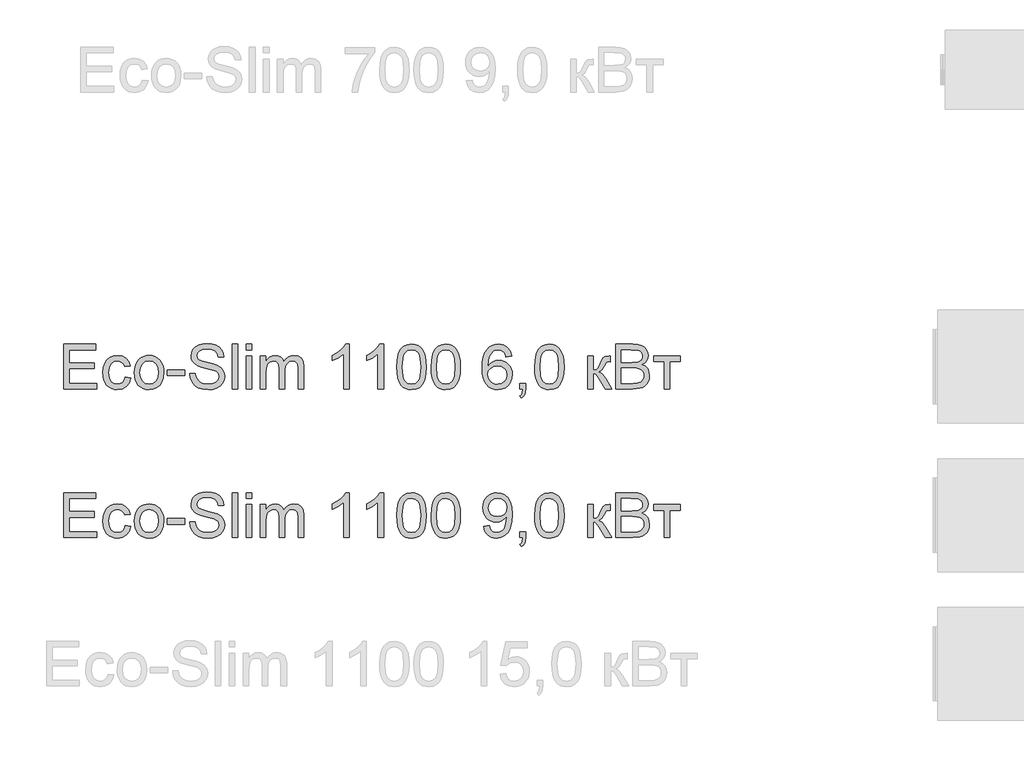
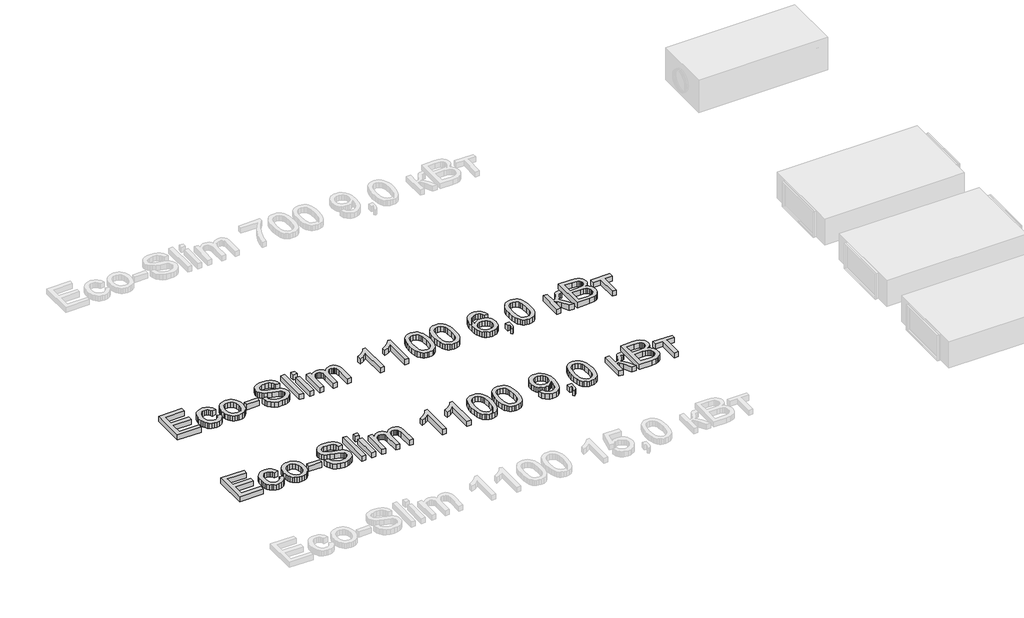
# One storey, part 38 of 74: 2 proxies.
"""IFC4 building model written with IfcOpenShell, lengths in millimetres."""

from ifc_helpers import new_model, si_unit, origin, origin_with_axes, place, context, project, spatial, polyline, outline, extrude, element, save

model = new_model("IFC4")

# Units and contexts
model_context = context("Model", 3, world=origin())
ifc_project = project(units=[si_unit("LENGTHUNIT", "METRE", prefix="MILLI")], contexts=[model_context])

# Site, building, storey
site = spatial("IfcSite", under=ifc_project)
building = spatial("IfcBuilding", under=site)
storey = spatial("IfcBuildingStorey", under=building, Elevation=0.0)

# Proxies
placement = place(None, origin())
element("IfcBuildingElementProxy", 1, Name="Generic Models", at=placement, inside=storey, context=model_context, shape_type="SweptSolid", body=[
    extrude(outline(polyline([(22928.3191932, -10906.2904473), (22928.3191932, -10604.9215169), (23144.928112, -10604.9215169), (23144.928112, -10642.5926332), (22965.9903095, -10642.5926332), (22965.9903095, -10732.0615344), (23135.5103329, -10732.0615344), (23135.5103329, -10769.7326507), (22965.9903095, -10769.7326507), (22965.9903095, -10868.619331), (23149.6370015, -10868.619331), (23149.6370015, -10906.2904473), (22928.3191932, -10906.2904473)])), origin_with_axes(), (0.0, 0.0, 1.0), 50.0),
    extrude(outline(polyline([(23342.7014726, -10826.2393252), (23380.3725889, -10830.9482147), (23369.869558, -10864.4530674), (23350.1326889, -10889.7725458), (23323.0197859, -10905.6926391), (23290.3886529, -10910.9993369), (23269.2607301, -10909.1484306), (23250.3171066, -10903.5957117), (23233.5577824, -10894.3411803), (23218.9827576, -10881.3848363), (23207.1852419, -10864.9704015), (23198.7584449, -10845.3415978), (23193.7023668, -10822.4984252), (23192.0170074, -10796.4408836), (23194.895684, -10762.9176368), (23203.5317138, -10733.8641562), (23218.0630526, -10710.402482), (23238.6276562, -10693.6546541), (23263.2297646, -10683.6114757), (23289.8736181, -10680.2637495), (23321.7046077, -10684.8622744), (23347.1528448, -10698.6578493), (23365.4089888, -10720.91471), (23375.6636994, -10750.8970926), (23337.9925831, -10755.6059821), (23331.159175, -10739.170854), (23320.5181883, -10727.3894331), (23306.6582341, -10720.2985076), (23290.1679237, -10717.9348658), (23265.8233327, -10722.588573), (23246.5003309, -10736.5496948), (23233.8911755, -10760.5723891), (23229.6881237, -10795.410814), (23233.799205, -10830.7182885), (23246.1324489, -10854.8237562), (23265.1059628, -10868.7021045), (23289.1378541, -10873.3282206), (23308.6447969, -10870.4403469), (23324.6384666, -10861.7767259), (23336.2727347, -10847.1166284), (23342.7014726, -10826.2393252)])), origin_with_axes(), (0.0, 0.0, 1.0), 50.0),
    extrude(outline(polyline([(23403.9170366, -10795.6315432), (23405.9541832, -10766.9689372), (23412.0656228, -10742.2702598), (23422.2513555, -10721.5355108), (23436.5113814, -10704.7646904), (23450.8679762, -10694.0455287), (23466.7144932, -10686.3889847), (23484.0509322, -10681.7950583), (23502.8772933, -10680.2637495), (23523.6603268, -10682.1284514), (23542.4521989, -10687.722557), (23559.2529098, -10697.0460663), (23574.0624594, -10710.0989793), (23586.1496822, -10726.4398377), (23594.7834128, -10745.627183), (23599.9636511, -10767.6610152), (23601.6903972, -10792.5413344), (23598.6369767, -10830.5987268), (23589.476715, -10859.569434), (23574.4763266, -10881.2652746), (23553.902526, -10897.4980677), (23529.4659645, -10907.6240196), (23502.8772933, -10910.9993369), (23481.7907572, -10909.1415328), (23462.8241411, -10903.5681206), (23445.977445, -10894.2791002), (23431.2506688, -10881.2744717), (23419.2922047, -10864.7749642), (23410.7504447, -10845.0013069), (23405.6253886, -10821.9534999), (23403.9170366, -10795.6315432)]), holes=[polyline([(23441.5881529, -10795.5579668), (23445.9475546, -10829.6514307), (23459.0257595, -10853.9408394), (23478.7074462, -10868.4813753), (23502.8772933, -10873.3282206), (23526.9367758, -10868.4537841), (23546.5816743, -10853.8304748), (23559.6598793, -10829.2191694), (23564.0192809, -10794.3807444), (23559.6322881, -10761.2805619), (23546.4713097, -10737.322247), (23526.79882, -10722.7817111), (23502.8772933, -10717.9348658), (23478.7074462, -10722.763317), (23459.0257595, -10737.2486706), (23445.9475546, -10761.482897), (23441.5881529, -10795.5579668)])]), origin_with_axes(), (0.0, 0.0, 1.0), 50.0),
    extrude(outline(polyline([(23625.2348449, -10816.8215461), (23625.2348449, -10779.1504298), (23742.9570834, -10779.1504298), (23742.9570834, -10816.8215461), (23625.2348449, -10816.8215461)])), origin_with_axes(), (0.0, 0.0, 1.0), 50.0),
    extrude(outline(polyline([(23775.9193101, -10802.6948775), (23813.5904264, -10802.6948775), (23817.9130399, -10823.5997719), (23825.7305323, -10840.402782), (23837.9258204, -10853.7385043), (23855.3818211, -10864.2415353), (23876.7189768, -10871.0565493), (23900.5577301, -10873.3282206), (23921.5453979, -10871.6083722), (23939.9211036, -10866.4488273), (23954.8111273, -10858.281847), (23965.3417494, -10847.5396927), (23971.6049404, -10835.2064488), (23973.6926707, -10822.2661996), (23972.1291723, -10809.6570443), (23967.4386768, -10798.7585402), (23957.9105331, -10789.4603227), (23941.83409, -10781.6520274), (23886.9828845, -10767.2678414), (23850.9764342, -10757.7488947), (23827.9378242, -10748.6898006), (23809.1850395, -10736.0162659), (23795.8953025, -10720.6571926), (23787.9766425, -10702.9436745), (23785.3370892, -10683.2068055), (23788.6020419, -10661.1430828), (23798.3969, -10640.5692822), (23814.4641462, -10623.1316757), (23836.5462629, -10610.476535), (23863.0521607, -10602.7786043), (23892.3907498, -10600.2126274), (23924.1757542, -10602.8981659), (23951.987633, -10610.9547816), (23974.8331049, -10624.2169275), (23991.7188885, -10642.5190568), (24002.4058605, -10664.7207352), (24006.6548975, -10689.6815286), (23968.9837812, -10689.6815286), (23962.0675997, -10667.2039387), (23947.6466255, -10650.9803427), (23925.1138533, -10641.1578934), (23893.8622778, -10637.8837437), (23861.8749383, -10641.1211052), (23839.9307773, -10650.8331899), (23827.2388485, -10665.1254054), (23823.0082055, -10682.1031595), (23826.0064438, -10696.579316), (23835.0011586, -10708.2227811), (23856.2647379, -10718.6338416), (23896.5110281, -10729.2656313), (23938.0449054, -10739.363992), (23963.1712457, -10748.1747658), (23984.6463571, -10761.8415819), (23999.6283514, -10778.7089714), (24008.4299281, -10798.5929933), (24011.363787, -10821.3097065), (24007.9884697, -10844.5322574), (23997.8625178, -10866.3752509), (23981.3997985, -10885.1740208), (23959.0141791, -10899.2639012), (23932.0944141, -10908.065478), (23902.0292581, -10910.9993369), (23865.1214969, -10907.8355517), (23834.7436412, -10898.3441962), (23810.5462029, -10882.4884823), (23792.1796943, -10860.2316215), (23780.3890764, -10833.1187185), (23775.9193101, -10802.6948775)])), origin_with_axes(), (0.0, 0.0, 1.0), 50.0),
    extrude(outline(polyline([(24063.161572, -10906.2904473), (24063.161572, -10604.9215169), (24100.8326883, -10604.9215169), (24100.8326883, -10906.2904473), (24063.161572, -10906.2904473)])), origin_with_axes(), (0.0, 0.0, 1.0), 50.0),
    extrude(outline(polyline([(24157.3393627, -10642.5926332), (24157.3393627, -10604.9215169), (24195.010479, -10604.9215169), (24195.010479, -10642.5926332), (24157.3393627, -10642.5926332)])), origin_with_axes(), (0.0, 0.0, 1.0), 50.0),
    extrude(outline(polyline([(24157.3393627, -10906.2904473), (24157.3393627, -10684.972639), (24195.010479, -10684.972639), (24195.010479, -10906.2904473), (24157.3393627, -10906.2904473)])), origin_with_axes(), (0.0, 0.0, 1.0), 50.0),
    extrude(outline(polyline([(24251.5171535, -10906.2904473), (24251.5171535, -10684.972639), (24289.1882698, -10684.972639), (24289.1882698, -10721.3929566), (24300.5190353, -10704.6635228), (24315.0871623, -10691.5577268), (24332.3960101, -10683.0872438), (24351.9489382, -10680.2637495), (24372.8998178, -10683.1424261), (24389.6936309, -10691.778456), (24402.2384069, -10705.6016219), (24410.4421754, -10724.0417069), (24424.1733709, -10704.8888506), (24439.8359468, -10691.2082389), (24457.4299032, -10682.9998718), (24476.9552401, -10680.2637495), (24505.2729567, -10684.8162892), (24526.2146393, -10698.4739083), (24539.1548885, -10721.6044887), (24543.4683049, -10754.5759125), (24543.4683049, -10906.2904473), (24505.7971886, -10906.2904473), (24505.7971886, -10770.7627203), (24502.3023096, -10739.3088097), (24497.391085, -10730.6359917), (24489.647169, -10723.8209777), (24479.686764, -10719.4063938), (24468.1260723, -10717.9348658), (24447.7178186, -10721.7056563), (24431.0803553, -10733.0180276), (24420.0163043, -10752.6445321), (24416.3282873, -10781.3577218), (24416.3282873, -10906.2904473), (24378.657171, -10906.2904473), (24378.657171, -10766.5688656), (24376.4774702, -10745.2684981), (24369.9383677, -10730.0749717), (24358.4328583, -10720.9698923), (24341.3539367, -10717.9348658), (24326.840992, -10719.9582168), (24313.4684815, -10726.0282697), (24302.4320216, -10735.9978718), (24294.9272289, -10749.7198702), (24290.6230096, -10768.7577634), (24289.1882698, -10794.67505), (24289.1882698, -10906.2904473), (24251.5171535, -10906.2904473)])), origin_with_axes(), (0.0, 0.0, 1.0), 50.0),
    extrude(outline(polyline([(24849.5461249, -10906.2904473), (24811.8750085, -10906.2904473), (24811.8750085, -10671.4345816), (24776.190455, -10696.8552275), (24736.5327759, -10715.8747266), (24736.5327759, -10680.2637495), (24766.1196854, -10664.1689122), (24791.7518634, -10645.0206544), (24811.957782, -10624.6583859), (24825.2659132, -10604.9215169), (24849.5461249, -10604.9215169), (24849.5461249, -10906.2904473)])), origin_with_axes(), (0.0, 0.0, 1.0), 50.0),
    extrude(outline(polyline([(25080.2817122, -10906.2904473), (25042.6105959, -10906.2904473), (25042.6105959, -10671.4345816), (25006.9260424, -10696.8552275), (24967.2683633, -10715.8747266), (24967.2683633, -10680.2637495), (24996.8552728, -10664.1689122), (25022.4874508, -10645.0206544), (25042.6933694, -10624.6583859), (25056.0015005, -10604.9215169), (25080.2817122, -10604.9215169), (25080.2817122, -10906.2904473)])), origin_with_axes(), (0.0, 0.0, 1.0), 50.0),
    extrude(outline(polyline([(25169.7506135, -10758.0340033), (25172.5189255, -10709.7954767), (25180.8238615, -10671.324217), (25194.5826481, -10642.0316132), (25213.7125119, -10621.3290539), (25238.3514085, -10609.0234011), (25268.6372938, -10604.9215169), (25291.8506477, -10607.3495381), (25312.6359804, -10614.6336016), (25330.0184047, -10626.4885989), (25343.0230332, -10642.6294214), (25352.8454825, -10662.9181134), (25360.681369, -10687.2167192), (25365.8133228, -10718.0728216), (25367.5239741, -10758.0340033), (25364.7832532, -10805.9966184), (25356.5610906, -10844.3759076), (25342.8850774, -10873.6961026), (25323.7828048, -10894.4814353), (25299.0887259, -10906.8698615), (25268.6372938, -10910.9993369), (25247.8887492, -10909.2059122), (25229.4946495, -10903.825638), (25213.4549945, -10894.8585143), (25199.7697843, -10882.3045413), (25186.636397, -10859.6108207), (25177.2554062, -10831.3344908), (25171.6268116, -10797.4755517), (25169.7506135, -10758.0340033)]), holes=[polyline([(25207.4217298, -10757.9604269), (25211.8363137, -10817.2170193), (25217.3545436, -10837.4850179), (25225.0800655, -10851.5128183), (25244.7985405, -10867.87437), (25268.6372938, -10873.3282206), (25292.476047, -10867.8559759), (25312.194522, -10851.4392419), (25319.9200439, -10837.3884489), (25325.4382738, -10817.1250488), (25329.8528578, -10757.9604269), (25325.5854266, -10700.0374067), (25320.2511377, -10679.8360867), (25312.7831332, -10665.4748933), (25293.1014464, -10648.3131982), (25268.1958354, -10642.5926332), (25244.6145995, -10647.6326165), (25225.6686767, -10662.7525665), (25217.6856374, -10678.3875513), (25211.9834665, -10699.4671897), (25207.4217298, -10757.9604269)])]), origin_with_axes(), (0.0, 0.0, 1.0), 50.0),
    extrude(outline(polyline([(25400.4862008, -10758.0340033), (25403.2545128, -10709.7954767), (25411.5594489, -10671.324217), (25425.3182355, -10642.0316132), (25444.4480993, -10621.3290539), (25469.0869959, -10609.0234011), (25499.3728811, -10604.9215169), (25522.586235, -10607.3495381), (25543.3715678, -10614.6336016), (25560.753992, -10626.4885989), (25573.7586206, -10642.6294214), (25583.5810698, -10662.9181134), (25591.4169563, -10687.2167192), (25596.5489102, -10718.0728216), (25598.2595614, -10758.0340033), (25595.5188406, -10805.9966184), (25587.296678, -10844.3759076), (25573.6206648, -10873.6961026), (25554.5183922, -10894.4814353), (25529.8243133, -10906.8698615), (25499.3728811, -10910.9993369), (25478.6243366, -10909.2059122), (25460.2302368, -10903.825638), (25444.1905819, -10894.8585143), (25430.5053716, -10882.3045413), (25417.3719844, -10859.6108207), (25407.9909935, -10831.3344908), (25402.362399, -10797.4755517), (25400.4862008, -10758.0340033)]), holes=[polyline([(25438.1573171, -10757.9604269), (25442.5719011, -10817.2170193), (25448.090131, -10837.4850179), (25455.8156529, -10851.5128183), (25475.5341278, -10867.87437), (25499.3728811, -10873.3282206), (25523.2116344, -10867.8559759), (25542.9301094, -10851.4392419), (25550.6556313, -10837.3884489), (25556.1738612, -10817.1250488), (25560.5884451, -10757.9604269), (25556.321014, -10700.0374067), (25550.9867251, -10679.8360867), (25543.5187206, -10665.4748933), (25523.8370338, -10648.3131982), (25498.9314227, -10642.5926332), (25475.3501868, -10647.6326165), (25456.4042641, -10662.7525665), (25448.4212248, -10678.3875513), (25442.7190539, -10699.4671897), (25438.1573171, -10757.9604269)])]), origin_with_axes(), (0.0, 0.0, 1.0), 50.0),
    extrude(outline(polyline([(25942.0084977, -10684.972639), (25904.3373814, -10689.6815286), (25898.2673285, -10671.0115173), (25890.06356, -10658.2644062), (25872.9754413, -10646.5105764), (25852.3188673, -10642.5926332), (25834.8076843, -10644.8735016), (25818.326571, -10651.7161067), (25804.1723112, -10666.1278838), (25792.6116195, -10685.9659204), (25784.8033241, -10714.0261196), (25781.9062534, -10753.1043845), (25797.0170064, -10735.4736399), (25815.1259976, -10723.0484255), (25835.2215516, -10715.6815886), (25856.2919929, -10713.2259763), (25874.391787, -10714.9044379), (25891.0936296, -10719.9398227), (25906.3975206, -10728.3321307), (25920.30346, -10740.0813619), (25931.8595532, -10754.4885406), (25940.1139055, -10770.8546908), (25945.0665168, -10789.1798127), (25946.7173873, -10809.4639062), (25943.6087844, -10836.4388535), (25934.2829758, -10861.4456321), (25919.5125137, -10882.6540292), (25900.0699503, -10898.2338316), (25876.8382023, -10907.8079606), (25850.7001865, -10910.9993369), (25828.24329, -10908.8840154), (25807.9614957, -10902.538051), (25789.8548038, -10891.9614436), (25773.9232141, -10877.1541933), (25760.9346804, -10857.4909007), (25751.6571564, -10832.3461663), (25746.0906419, -10801.7199902), (25744.2351371, -10765.6123724), (25746.2952763, -10725.1315573), (25752.4756938, -10690.5828395), (25762.7763897, -10661.9662188), (25777.1973639, -10639.2816952), (25792.8277502, -10624.2491172), (25810.9505369, -10613.5115615), (25831.5657243, -10607.069028), (25854.6733121, -10604.9215169), (25887.7275093, -10610.2374117), (25914.1966189, -10626.1850962), (25932.7378715, -10651.5137716), (25942.0084977, -10684.972639)]), holes=[polyline([(25781.9062534, -10808.875295), (25784.0859543, -10825.5679405), (25790.6250567, -10841.506428), (25800.7785998, -10855.2100323), (25813.8016224, -10865.1980285), (25829.5193807, -10871.2956725), (25847.7571306, -10873.3282206), (25872.6167564, -10869.1159717), (25892.1604874, -10856.4792252), (25904.8248251, -10836.6135975), (25909.046271, -10810.714705), (25904.8800074, -10785.8550792), (25892.3812166, -10766.8999594), (25872.5063918, -10754.8978093), (25846.2120262, -10750.8970926), (25821.3891886, -10754.8978093), (25800.631447, -10766.8999594), (25786.5875518, -10785.3952267), (25781.9062534, -10808.875295)])]), origin_with_axes(), (0.0, 0.0, 1.0), 50.0),
    extrude(outline(polyline([(25998.5151722, -10906.2904473), (25998.5151722, -10868.619331), (26036.1862885, -10868.619331), (26036.1862885, -10906.2904473), (26034.4940313, -10927.8391352), (26029.4172598, -10944.8076922), (26020.6616683, -10957.8215178), (26007.9329513, -10967.5060113), (25998.5151722, -10953.3793427), (26006.6821525, -10946.5551317), (26012.3475352, -10937.1189585), (26017.2771539, -10906.2904473), (25998.5151722, -10906.2904473)])), origin_with_axes(), (0.0, 0.0, 1.0), 50.0),
    extrude(outline(polyline([(26097.4018525, -10758.0340033), (26100.1701645, -10709.7954767), (26108.4751005, -10671.324217), (26122.2338872, -10642.0316132), (26141.3637509, -10621.3290539), (26166.0026475, -10609.0234011), (26196.2885328, -10604.9215169), (26219.5018867, -10607.3495381), (26240.2872194, -10614.6336016), (26257.6696437, -10626.4885989), (26270.6742722, -10642.6294214), (26280.4967215, -10662.9181134), (26288.332608, -10687.2167192), (26293.4645618, -10718.0728216), (26295.1752131, -10758.0340033), (26292.4344922, -10805.9966184), (26284.2123296, -10844.3759076), (26270.5363165, -10873.6961026), (26251.4340439, -10894.4814353), (26226.7399649, -10906.8698615), (26196.2885328, -10910.9993369), (26175.5399883, -10909.2059122), (26157.1458885, -10903.825638), (26141.1062335, -10894.8585143), (26127.4210233, -10882.3045413), (26114.2876361, -10859.6108207), (26104.9066452, -10831.3344908), (26099.2780507, -10797.4755517), (26097.4018525, -10758.0340033)]), holes=[polyline([(26135.0729688, -10757.9604269), (26139.4875527, -10817.2170193), (26145.0057827, -10837.4850179), (26152.7313046, -10851.5128183), (26172.4497795, -10867.87437), (26196.2885328, -10873.3282206), (26220.1272861, -10867.8559759), (26239.845761, -10851.4392419), (26247.5712829, -10837.3884489), (26253.0895129, -10817.1250488), (26257.5040968, -10757.9604269), (26253.2366657, -10700.0374067), (26247.9023767, -10679.8360867), (26240.4343722, -10665.4748933), (26220.7526855, -10648.3131982), (26195.8470744, -10642.5926332), (26172.2658385, -10647.6326165), (26153.3199158, -10662.7525665), (26145.3368765, -10678.3875513), (26139.6347055, -10699.4671897), (26135.0729688, -10757.9604269)])]), origin_with_axes(), (0.0, 0.0, 1.0), 50.0),
    extrude(outline(polyline([(26455.2774574, -10684.972639), (26492.9485737, -10684.972639), (26492.9485737, -10779.1504298), (26508.2708588, -10777.4581726), (26518.1852786, -10772.3814011), (26526.9592642, -10759.1376493), (26538.8602467, -10732.9444512), (26556.0403359, -10698.9153667), (26571.1970741, -10687.8421186), (26598.7514355, -10684.972639), (26605.9619226, -10684.972639), (26605.9619226, -10722.8644845), (26595.8083796, -10722.6437553), (26577.4142798, -10726.6168809), (26564.4648336, -10751.4121274), (26549.2713072, -10778.2307248), (26527.9709396, -10791.364112), (26539.9087104, -10796.6662113), (26551.7361165, -10806.0242096), (26575.059835, -10836.907903), (26615.3797017, -10906.2904473), (26572.5582375, -10906.2904473), (26533.0477112, -10838.379431), (26513.1820834, -10809.6478472), (26503.8930631, -10804.4331199), (26492.9485737, -10802.6948775), (26492.9485737, -10906.2904473), (26455.2774574, -10906.2904473), (26455.2774574, -10684.972639)])), origin_with_axes(), (0.0, 0.0, 1.0), 50.0),
    extrude(outline(polyline([(26643.6330389, -10906.2904473), (26643.6330389, -10604.9215169), (26758.6329506, -10604.9215169), (26790.2616052, -10607.1380059), (26814.9556841, -10613.787473), (26833.8832127, -10625.035465), (26848.2122164, -10641.0475288), (26857.2345224, -10659.883087), (26860.2419577, -10679.6015619), (26857.712769, -10697.7473413), (26850.1252028, -10714.8078689), (26837.4240769, -10729.7346808), (26819.554209, -10741.4793135), (26840.9005618, -10752.626138), (26856.6735023, -10769.5854979), (26866.4131782, -10791.2353533), (26869.6597368, -10816.4536641), (26867.4432477, -10837.4689231), (26860.7937807, -10856.9574718), (26850.8701639, -10873.5305557), (26838.8312256, -10885.7994202), (26824.0883546, -10894.6837704), (26806.0529398, -10901.1033112), (26757.7500338, -10906.2904473), (26643.6330389, -10906.2904473)]), holes=[polyline([(26681.3041552, -10727.3526449), (26750.0980883, -10727.3526449), (26790.2708022, -10724.1152833), (26804.3330915, -10718.5326741), (26814.4406493, -10710.1725557), (26820.5382934, -10699.163687), (26822.5708414, -10685.6348266), (26820.6762491, -10672.5014394), (26814.9924723, -10661.0603094), (26805.7770283, -10652.1299739), (26793.2874346, -10646.5289705), (26744.874164, -10642.5926332), (26681.3041552, -10642.5926332), (26681.3041552, -10727.3526449)]), polyline([(26681.3041552, -10868.619331), (26758.5593742, -10868.619331), (26786.5184059, -10867.1478031), (26810.1732181, -10858.9440346), (26825.8449911, -10842.2054038), (26830.4527131, -10830.3779976), (26831.9886205, -10816.8215461), (26830.1859987, -10801.0761967), (26824.7781334, -10787.5381393), (26815.3327631, -10776.9523349), (26801.4176267, -10770.0637445), (26781.7083488, -10766.283757), (26754.8805543, -10765.0237612), (26681.3041552, -10765.0237612), (26681.3041552, -10868.619331)])]), origin_with_axes(), (0.0, 0.0, 1.0), 50.0),
    extrude(outline(polyline([(26897.913074, -10684.972639), (27076.8508765, -10684.972639), (27076.8508765, -10722.6437553), (27006.2175334, -10722.6437553), (27006.2175334, -10906.2904473), (26968.5464171, -10906.2904473), (26968.5464171, -10722.6437553), (26897.913074, -10722.6437553), (26897.913074, -10684.972639)])), origin_with_axes(), (0.0, 0.0, 1.0), 50.0),
])
element("IfcBuildingElementProxy", 2, Name="Generic Models", at=placement, inside=storey, context=model_context, shape_type="SweptSolid", body=[
    extrude(outline(polyline([(22928.3191932, -11906.2904473), (22928.3191932, -11604.9215169), (23144.928112, -11604.9215169), (23144.928112, -11642.5926332), (22965.9903095, -11642.5926332), (22965.9903095, -11732.0615344), (23135.5103329, -11732.0615344), (23135.5103329, -11769.7326507), (22965.9903095, -11769.7326507), (22965.9903095, -11868.619331), (23149.6370015, -11868.619331), (23149.6370015, -11906.2904473), (22928.3191932, -11906.2904473)])), origin_with_axes(), (0.0, 0.0, 1.0), 50.0),
    extrude(outline(polyline([(23342.7014726, -11826.2393252), (23380.3725889, -11830.9482147), (23369.869558, -11864.4530674), (23350.1326889, -11889.7725458), (23323.0197859, -11905.6926391), (23290.3886529, -11910.9993369), (23269.2607301, -11909.1484306), (23250.3171066, -11903.5957117), (23233.5577824, -11894.3411803), (23218.9827576, -11881.3848363), (23207.1852419, -11864.9704015), (23198.7584449, -11845.3415978), (23193.7023668, -11822.4984252), (23192.0170074, -11796.4408836), (23194.895684, -11762.9176368), (23203.5317138, -11733.8641562), (23218.0630526, -11710.402482), (23238.6276562, -11693.6546541), (23263.2297646, -11683.6114757), (23289.8736181, -11680.2637495), (23321.7046077, -11684.8622744), (23347.1528448, -11698.6578493), (23365.4089888, -11720.91471), (23375.6636994, -11750.8970926), (23337.9925831, -11755.6059821), (23331.159175, -11739.170854), (23320.5181883, -11727.3894331), (23306.6582341, -11720.2985076), (23290.1679237, -11717.9348658), (23265.8233327, -11722.588573), (23246.5003309, -11736.5496948), (23233.8911755, -11760.5723891), (23229.6881237, -11795.410814), (23233.799205, -11830.7182885), (23246.1324489, -11854.8237562), (23265.1059628, -11868.7021045), (23289.1378541, -11873.3282206), (23308.6447969, -11870.4403469), (23324.6384666, -11861.7767259), (23336.2727347, -11847.1166284), (23342.7014726, -11826.2393252)])), origin_with_axes(), (0.0, 0.0, 1.0), 50.0),
    extrude(outline(polyline([(23403.9170366, -11795.6315432), (23405.9541832, -11766.9689372), (23412.0656228, -11742.2702598), (23422.2513555, -11721.5355108), (23436.5113814, -11704.7646904), (23450.8679762, -11694.0455287), (23466.7144932, -11686.3889847), (23484.0509322, -11681.7950583), (23502.8772933, -11680.2637495), (23523.6603268, -11682.1284514), (23542.4521989, -11687.722557), (23559.2529098, -11697.0460663), (23574.0624594, -11710.0989793), (23586.1496822, -11726.4398377), (23594.7834128, -11745.627183), (23599.9636511, -11767.6610152), (23601.6903972, -11792.5413344), (23598.6369767, -11830.5987268), (23589.476715, -11859.569434), (23574.4763266, -11881.2652746), (23553.902526, -11897.4980677), (23529.4659645, -11907.6240196), (23502.8772933, -11910.9993369), (23481.7907572, -11909.1415328), (23462.8241411, -11903.5681206), (23445.977445, -11894.2791002), (23431.2506688, -11881.2744717), (23419.2922047, -11864.7749642), (23410.7504447, -11845.0013069), (23405.6253886, -11821.9534999), (23403.9170366, -11795.6315432)]), holes=[polyline([(23441.5881529, -11795.5579668), (23445.9475546, -11829.6514307), (23459.0257595, -11853.9408394), (23478.7074462, -11868.4813753), (23502.8772933, -11873.3282206), (23526.9367758, -11868.4537841), (23546.5816743, -11853.8304748), (23559.6598793, -11829.2191694), (23564.0192809, -11794.3807444), (23559.6322881, -11761.2805619), (23546.4713097, -11737.322247), (23526.79882, -11722.7817111), (23502.8772933, -11717.9348658), (23478.7074462, -11722.763317), (23459.0257595, -11737.2486706), (23445.9475546, -11761.482897), (23441.5881529, -11795.5579668)])]), origin_with_axes(), (0.0, 0.0, 1.0), 50.0),
    extrude(outline(polyline([(23625.2348449, -11816.8215461), (23625.2348449, -11779.1504298), (23742.9570834, -11779.1504298), (23742.9570834, -11816.8215461), (23625.2348449, -11816.8215461)])), origin_with_axes(), (0.0, 0.0, 1.0), 50.0),
    extrude(outline(polyline([(23775.9193101, -11802.6948775), (23813.5904264, -11802.6948775), (23817.9130399, -11823.5997719), (23825.7305323, -11840.402782), (23837.9258204, -11853.7385043), (23855.3818211, -11864.2415353), (23876.7189768, -11871.0565493), (23900.5577301, -11873.3282206), (23921.5453979, -11871.6083722), (23939.9211036, -11866.4488273), (23954.8111273, -11858.281847), (23965.3417494, -11847.5396927), (23971.6049404, -11835.2064488), (23973.6926707, -11822.2661996), (23972.1291723, -11809.6570443), (23967.4386768, -11798.7585402), (23957.9105331, -11789.4603227), (23941.83409, -11781.6520274), (23886.9828845, -11767.2678414), (23850.9764342, -11757.7488947), (23827.9378242, -11748.6898006), (23809.1850395, -11736.0162659), (23795.8953025, -11720.6571926), (23787.9766425, -11702.9436745), (23785.3370892, -11683.2068055), (23788.6020419, -11661.1430828), (23798.3969, -11640.5692822), (23814.4641462, -11623.1316757), (23836.5462629, -11610.476535), (23863.0521607, -11602.7786043), (23892.3907498, -11600.2126274), (23924.1757542, -11602.8981659), (23951.987633, -11610.9547816), (23974.8331049, -11624.2169275), (23991.7188885, -11642.5190568), (24002.4058605, -11664.7207352), (24006.6548975, -11689.6815286), (23968.9837812, -11689.6815286), (23962.0675997, -11667.2039387), (23947.6466255, -11650.9803427), (23925.1138533, -11641.1578934), (23893.8622778, -11637.8837437), (23861.8749383, -11641.1211052), (23839.9307773, -11650.8331899), (23827.2388485, -11665.1254054), (23823.0082055, -11682.1031595), (23826.0064438, -11696.579316), (23835.0011586, -11708.2227811), (23856.2647379, -11718.6338416), (23896.5110281, -11729.2656313), (23938.0449054, -11739.363992), (23963.1712457, -11748.1747658), (23984.6463571, -11761.8415819), (23999.6283514, -11778.7089714), (24008.4299281, -11798.5929933), (24011.363787, -11821.3097065), (24007.9884697, -11844.5322574), (23997.8625178, -11866.3752509), (23981.3997985, -11885.1740208), (23959.0141791, -11899.2639012), (23932.0944141, -11908.065478), (23902.0292581, -11910.9993369), (23865.1214969, -11907.8355517), (23834.7436412, -11898.3441962), (23810.5462029, -11882.4884823), (23792.1796943, -11860.2316215), (23780.3890764, -11833.1187185), (23775.9193101, -11802.6948775)])), origin_with_axes(), (0.0, 0.0, 1.0), 50.0),
    extrude(outline(polyline([(24063.161572, -11906.2904473), (24063.161572, -11604.9215169), (24100.8326883, -11604.9215169), (24100.8326883, -11906.2904473), (24063.161572, -11906.2904473)])), origin_with_axes(), (0.0, 0.0, 1.0), 50.0),
    extrude(outline(polyline([(24157.3393627, -11642.5926332), (24157.3393627, -11604.9215169), (24195.010479, -11604.9215169), (24195.010479, -11642.5926332), (24157.3393627, -11642.5926332)])), origin_with_axes(), (0.0, 0.0, 1.0), 50.0),
    extrude(outline(polyline([(24157.3393627, -11906.2904473), (24157.3393627, -11684.972639), (24195.010479, -11684.972639), (24195.010479, -11906.2904473), (24157.3393627, -11906.2904473)])), origin_with_axes(), (0.0, 0.0, 1.0), 50.0),
    extrude(outline(polyline([(24251.5171535, -11906.2904473), (24251.5171535, -11684.972639), (24289.1882698, -11684.972639), (24289.1882698, -11721.3929566), (24300.5190353, -11704.6635228), (24315.0871623, -11691.5577268), (24332.3960101, -11683.0872438), (24351.9489382, -11680.2637495), (24372.8998178, -11683.1424261), (24389.6936309, -11691.778456), (24402.2384069, -11705.6016219), (24410.4421754, -11724.0417069), (24424.1733709, -11704.8888506), (24439.8359468, -11691.2082389), (24457.4299032, -11682.9998718), (24476.9552401, -11680.2637495), (24505.2729567, -11684.8162892), (24526.2146393, -11698.4739083), (24539.1548885, -11721.6044887), (24543.4683049, -11754.5759125), (24543.4683049, -11906.2904473), (24505.7971886, -11906.2904473), (24505.7971886, -11770.7627203), (24502.3023096, -11739.3088097), (24497.391085, -11730.6359917), (24489.647169, -11723.8209777), (24479.686764, -11719.4063938), (24468.1260723, -11717.9348658), (24447.7178186, -11721.7056563), (24431.0803553, -11733.0180276), (24420.0163043, -11752.6445321), (24416.3282873, -11781.3577218), (24416.3282873, -11906.2904473), (24378.657171, -11906.2904473), (24378.657171, -11766.5688656), (24376.4774702, -11745.2684981), (24369.9383677, -11730.0749717), (24358.4328583, -11720.9698923), (24341.3539367, -11717.9348658), (24326.840992, -11719.9582168), (24313.4684815, -11726.0282697), (24302.4320216, -11735.9978718), (24294.9272289, -11749.7198702), (24290.6230096, -11768.7577634), (24289.1882698, -11794.67505), (24289.1882698, -11906.2904473), (24251.5171535, -11906.2904473)])), origin_with_axes(), (0.0, 0.0, 1.0), 50.0),
    extrude(outline(polyline([(24849.5461249, -11906.2904473), (24811.8750085, -11906.2904473), (24811.8750085, -11671.4345816), (24776.190455, -11696.8552275), (24736.5327759, -11715.8747266), (24736.5327759, -11680.2637495), (24766.1196854, -11664.1689122), (24791.7518634, -11645.0206544), (24811.957782, -11624.6583859), (24825.2659132, -11604.9215169), (24849.5461249, -11604.9215169), (24849.5461249, -11906.2904473)])), origin_with_axes(), (0.0, 0.0, 1.0), 50.0),
    extrude(outline(polyline([(25080.2817122, -11906.2904473), (25042.6105959, -11906.2904473), (25042.6105959, -11671.4345816), (25006.9260424, -11696.8552275), (24967.2683633, -11715.8747266), (24967.2683633, -11680.2637495), (24996.8552728, -11664.1689122), (25022.4874508, -11645.0206544), (25042.6933694, -11624.6583859), (25056.0015005, -11604.9215169), (25080.2817122, -11604.9215169), (25080.2817122, -11906.2904473)])), origin_with_axes(), (0.0, 0.0, 1.0), 50.0),
    extrude(outline(polyline([(25169.7506135, -11758.0340033), (25172.5189255, -11709.7954767), (25180.8238615, -11671.324217), (25194.5826481, -11642.0316132), (25213.7125119, -11621.3290539), (25238.3514085, -11609.0234011), (25268.6372938, -11604.9215169), (25291.8506477, -11607.3495381), (25312.6359804, -11614.6336016), (25330.0184047, -11626.4885989), (25343.0230332, -11642.6294214), (25352.8454825, -11662.9181134), (25360.681369, -11687.2167192), (25365.8133228, -11718.0728216), (25367.5239741, -11758.0340033), (25364.7832532, -11805.9966184), (25356.5610906, -11844.3759076), (25342.8850774, -11873.6961026), (25323.7828048, -11894.4814353), (25299.0887259, -11906.8698615), (25268.6372938, -11910.9993369), (25247.8887492, -11909.2059122), (25229.4946495, -11903.825638), (25213.4549945, -11894.8585143), (25199.7697843, -11882.3045413), (25186.636397, -11859.6108207), (25177.2554062, -11831.3344908), (25171.6268116, -11797.4755517), (25169.7506135, -11758.0340033)]), holes=[polyline([(25207.4217298, -11757.9604269), (25211.8363137, -11817.2170193), (25217.3545436, -11837.4850179), (25225.0800655, -11851.5128183), (25244.7985405, -11867.87437), (25268.6372938, -11873.3282206), (25292.476047, -11867.8559759), (25312.194522, -11851.4392419), (25319.9200439, -11837.3884489), (25325.4382738, -11817.1250488), (25329.8528578, -11757.9604269), (25325.5854266, -11700.0374067), (25320.2511377, -11679.8360867), (25312.7831332, -11665.4748933), (25293.1014464, -11648.3131982), (25268.1958354, -11642.5926332), (25244.6145995, -11647.6326165), (25225.6686767, -11662.7525665), (25217.6856374, -11678.3875513), (25211.9834665, -11699.4671897), (25207.4217298, -11757.9604269)])]), origin_with_axes(), (0.0, 0.0, 1.0), 50.0),
    extrude(outline(polyline([(25400.4862008, -11758.0340033), (25403.2545128, -11709.7954767), (25411.5594489, -11671.324217), (25425.3182355, -11642.0316132), (25444.4480993, -11621.3290539), (25469.0869959, -11609.0234011), (25499.3728811, -11604.9215169), (25522.586235, -11607.3495381), (25543.3715678, -11614.6336016), (25560.753992, -11626.4885989), (25573.7586206, -11642.6294214), (25583.5810698, -11662.9181134), (25591.4169563, -11687.2167192), (25596.5489102, -11718.0728216), (25598.2595614, -11758.0340033), (25595.5188406, -11805.9966184), (25587.296678, -11844.3759076), (25573.6206648, -11873.6961026), (25554.5183922, -11894.4814353), (25529.8243133, -11906.8698615), (25499.3728811, -11910.9993369), (25478.6243366, -11909.2059122), (25460.2302368, -11903.825638), (25444.1905819, -11894.8585143), (25430.5053716, -11882.3045413), (25417.3719844, -11859.6108207), (25407.9909935, -11831.3344908), (25402.362399, -11797.4755517), (25400.4862008, -11758.0340033)]), holes=[polyline([(25438.1573171, -11757.9604269), (25442.5719011, -11817.2170193), (25448.090131, -11837.4850179), (25455.8156529, -11851.5128183), (25475.5341278, -11867.87437), (25499.3728811, -11873.3282206), (25523.2116344, -11867.8559759), (25542.9301094, -11851.4392419), (25550.6556313, -11837.3884489), (25556.1738612, -11817.1250488), (25560.5884451, -11757.9604269), (25556.321014, -11700.0374067), (25550.9867251, -11679.8360867), (25543.5187206, -11665.4748933), (25523.8370338, -11648.3131982), (25498.9314227, -11642.5926332), (25475.3501868, -11647.6326165), (25456.4042641, -11662.7525665), (25448.4212248, -11678.3875513), (25442.7190539, -11699.4671897), (25438.1573171, -11757.9604269)])]), origin_with_axes(), (0.0, 0.0, 1.0), 50.0),
    extrude(outline(polyline([(25753.6529162, -11830.9482147), (25791.3240325, -11826.2393252), (25797.7619674, -11847.6224662), (25808.2466043, -11862.1813961), (25822.5204257, -11870.5415145), (25840.3259143, -11873.3282206), (25856.3011899, -11871.5347958), (25870.8233317, -11866.1545217), (25882.8898611, -11857.7760092), (25891.4982998, -11846.9878697), (25903.8223466, -11814.2463721), (25909.2670002, -11770.5419911), (25909.046271, -11763.1843512), (25895.9956572, -11779.1136416), (25878.9167356, -11791.731994), (25859.0419108, -11799.9541566), (25837.6035875, -11802.6948775), (25819.7084277, -11801.0210144), (25803.2526062, -11795.9994252), (25788.236123, -11787.6301098), (25774.6589781, -11775.9130682), (25763.4086869, -11761.4599044), (25755.3727645, -11744.882222), (25750.5512111, -11726.180021), (25748.9440267, -11705.3533016), (25750.6293861, -11683.8322049), (25755.6854642, -11664.5184001), (25764.1122612, -11647.4118873), (25775.9097769, -11632.5126665), (25790.2456784, -11620.4415386), (25806.2876327, -11611.8193043), (25824.0356397, -11606.6459637), (25843.4896994, -11604.9215169), (25871.5866868, -11608.8578542), (25897.1636825, -11620.6668663), (25918.5560205, -11639.7599418), (25934.0990348, -11665.5484697), (25943.5627992, -11701.196235), (25946.7173873, -11749.867023), (25943.5719962, -11801.4716699), (25934.135823, -11841.3592752), (25918.4916412, -11871.3324607), (25896.7222241, -11893.1938483), (25869.7656709, -11906.5479647), (25838.5600807, -11910.9993369), (25806.352012, -11905.7478214), (25780.6554546, -11889.993275), (25762.6844192, -11864.7289789), (25753.6529162, -11830.9482147)]), holes=[polyline([(25909.046271, -11704.4703848), (25904.9811749, -11678.9393743), (25892.7858868, -11659.2944758), (25873.8583581, -11646.7680938), (25849.5965405, -11642.5926332), (25824.4334121, -11647.0899906), (25804.2734787, -11660.5820628), (25791.0297269, -11681.2294397), (25786.615143, -11707.1927116), (25790.7906036, -11730.4704448), (25803.3169855, -11748.947318), (25822.9802782, -11761.0046504), (25848.566471, -11765.0237612), (25872.6351505, -11761.0046504), (25892.0133346, -11748.947318), (25904.7880369, -11729.7898631), (25909.046271, -11704.4703848)])]), origin_with_axes(), (0.0, 0.0, 1.0), 50.0),
    extrude(outline(polyline([(25998.5151722, -11906.2904473), (25998.5151722, -11868.619331), (26036.1862885, -11868.619331), (26036.1862885, -11906.2904473), (26034.4940313, -11927.8391352), (26029.4172598, -11944.8076922), (26020.6616683, -11957.8215178), (26007.9329513, -11967.5060113), (25998.5151722, -11953.3793427), (26006.6821525, -11946.5551317), (26012.3475352, -11937.1189585), (26017.2771539, -11906.2904473), (25998.5151722, -11906.2904473)])), origin_with_axes(), (0.0, 0.0, 1.0), 50.0),
    extrude(outline(polyline([(26097.4018525, -11758.0340033), (26100.1701645, -11709.7954767), (26108.4751005, -11671.324217), (26122.2338872, -11642.0316132), (26141.3637509, -11621.3290539), (26166.0026475, -11609.0234011), (26196.2885328, -11604.9215169), (26219.5018867, -11607.3495381), (26240.2872194, -11614.6336016), (26257.6696437, -11626.4885989), (26270.6742722, -11642.6294214), (26280.4967215, -11662.9181134), (26288.332608, -11687.2167192), (26293.4645618, -11718.0728216), (26295.1752131, -11758.0340033), (26292.4344922, -11805.9966184), (26284.2123296, -11844.3759076), (26270.5363165, -11873.6961026), (26251.4340439, -11894.4814353), (26226.7399649, -11906.8698615), (26196.2885328, -11910.9993369), (26175.5399883, -11909.2059122), (26157.1458885, -11903.825638), (26141.1062335, -11894.8585143), (26127.4210233, -11882.3045413), (26114.2876361, -11859.6108207), (26104.9066452, -11831.3344908), (26099.2780507, -11797.4755517), (26097.4018525, -11758.0340033)]), holes=[polyline([(26135.0729688, -11757.9604269), (26139.4875527, -11817.2170193), (26145.0057827, -11837.4850179), (26152.7313046, -11851.5128183), (26172.4497795, -11867.87437), (26196.2885328, -11873.3282206), (26220.1272861, -11867.8559759), (26239.845761, -11851.4392419), (26247.5712829, -11837.3884489), (26253.0895129, -11817.1250488), (26257.5040968, -11757.9604269), (26253.2366657, -11700.0374067), (26247.9023767, -11679.8360867), (26240.4343722, -11665.4748933), (26220.7526855, -11648.3131982), (26195.8470744, -11642.5926332), (26172.2658385, -11647.6326165), (26153.3199158, -11662.7525665), (26145.3368765, -11678.3875513), (26139.6347055, -11699.4671897), (26135.0729688, -11757.9604269)])]), origin_with_axes(), (0.0, 0.0, 1.0), 50.0),
    extrude(outline(polyline([(26455.2774574, -11684.972639), (26492.9485737, -11684.972639), (26492.9485737, -11779.1504298), (26508.2708588, -11777.4581726), (26518.1852786, -11772.3814011), (26526.9592642, -11759.1376493), (26538.8602467, -11732.9444512), (26556.0403359, -11698.9153667), (26571.1970741, -11687.8421186), (26598.7514355, -11684.972639), (26605.9619226, -11684.972639), (26605.9619226, -11722.8644845), (26595.8083796, -11722.6437553), (26577.4142798, -11726.6168809), (26564.4648336, -11751.4121274), (26549.2713072, -11778.2307248), (26527.9709396, -11791.364112), (26539.9087104, -11796.6662113), (26551.7361165, -11806.0242096), (26575.059835, -11836.907903), (26615.3797017, -11906.2904473), (26572.5582375, -11906.2904473), (26533.0477112, -11838.379431), (26513.1820834, -11809.6478472), (26503.8930631, -11804.4331199), (26492.9485737, -11802.6948775), (26492.9485737, -11906.2904473), (26455.2774574, -11906.2904473), (26455.2774574, -11684.972639)])), origin_with_axes(), (0.0, 0.0, 1.0), 50.0),
    extrude(outline(polyline([(26643.6330389, -11906.2904473), (26643.6330389, -11604.9215169), (26758.6329506, -11604.9215169), (26790.2616052, -11607.1380059), (26814.9556841, -11613.787473), (26833.8832127, -11625.035465), (26848.2122164, -11641.0475288), (26857.2345224, -11659.883087), (26860.2419577, -11679.6015619), (26857.712769, -11697.7473413), (26850.1252028, -11714.8078689), (26837.4240769, -11729.7346808), (26819.554209, -11741.4793135), (26840.9005618, -11752.626138), (26856.6735023, -11769.5854979), (26866.4131782, -11791.2353533), (26869.6597368, -11816.4536641), (26867.4432477, -11837.4689231), (26860.7937807, -11856.9574718), (26850.8701639, -11873.5305557), (26838.8312256, -11885.7994202), (26824.0883546, -11894.6837704), (26806.0529398, -11901.1033112), (26757.7500338, -11906.2904473), (26643.6330389, -11906.2904473)]), holes=[polyline([(26681.3041552, -11868.619331), (26758.5593742, -11868.619331), (26786.5184059, -11867.1478031), (26810.1732181, -11858.9440346), (26825.8449911, -11842.2054038), (26830.4527131, -11830.3779976), (26831.9886205, -11816.8215461), (26830.1859987, -11801.0761967), (26824.7781334, -11787.5381393), (26815.3327631, -11776.9523349), (26801.4176267, -11770.0637445), (26781.7083488, -11766.283757), (26754.8805543, -11765.0237612), (26681.3041552, -11765.0237612), (26681.3041552, -11868.619331)]), polyline([(26681.3041552, -11727.3526449), (26750.0980883, -11727.3526449), (26790.2708022, -11724.1152833), (26804.3330915, -11718.5326741), (26814.4406493, -11710.1725557), (26820.5382934, -11699.163687), (26822.5708414, -11685.6348266), (26820.6762491, -11672.5014394), (26814.9924723, -11661.0603094), (26805.7770283, -11652.1299739), (26793.2874346, -11646.5289705), (26744.874164, -11642.5926332), (26681.3041552, -11642.5926332), (26681.3041552, -11727.3526449)])]), origin_with_axes(), (0.0, 0.0, 1.0), 50.0),
    extrude(outline(polyline([(26897.913074, -11684.972639), (27076.8508765, -11684.972639), (27076.8508765, -11722.6437553), (27006.2175334, -11722.6437553), (27006.2175334, -11906.2904473), (26968.5464171, -11906.2904473), (26968.5464171, -11722.6437553), (26897.913074, -11722.6437553), (26897.913074, -11684.972639)])), origin_with_axes(), (0.0, 0.0, 1.0), 50.0),
])

save(model, "model.ifc")
